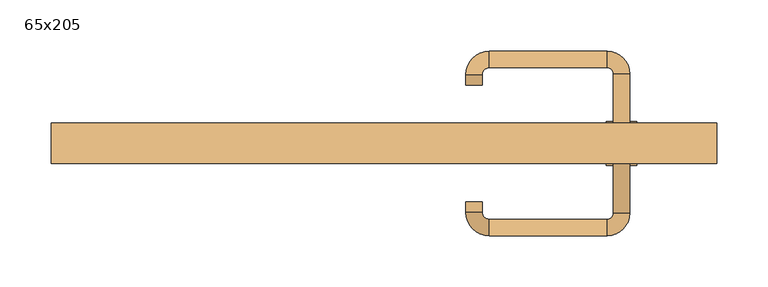
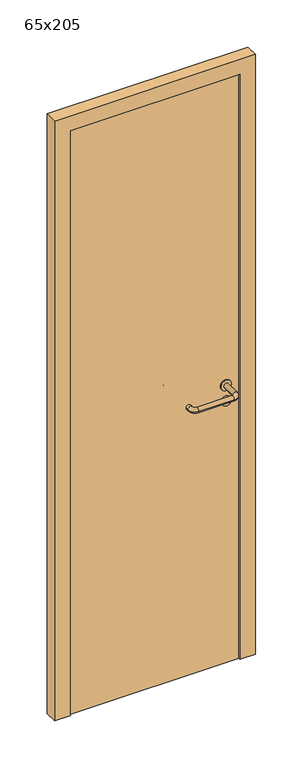
"""IFC4 building model written with IfcOpenShell, lengths in millimetres: door geometry, 65x205."""

from ifc_helpers import new_model, si_unit, point, frame, frame_2d, origin, origin_with_axes, place, context, project, spatial, polyline, circle_curve, ellipse_curve, trimmed, segment, composite_curve, outline, extrude, source, transform, mapped, element, save
from ifc_brep_helpers import plane_surface, cylinder_surface, revolved_surface, advanced_brep


def door_65x205_cf4b30d9(model_context):
    return source(origin(), model_context, "Body", "SolidModel", [
        extrude(outline(composite_curve([segment(trimmed(circle_curve(frame_2d((897.3605726, 232.0)), 15.0), [point((897.3605726, 247.0))], [point((897.3605726, 217.0))], False, "CARTESIAN"), True, "CONTINUOUS"), segment(trimmed(circle_curve(frame_2d((897.3605726, 232.0)), 15.0), [point((897.3605726, 217.0))], [point((897.3605726, 247.0))], False, "CARTESIAN"), True, "CONTINUOUS")], self_intersect=False), holes=[composite_curve([segment(trimmed(circle_curve(frame_2d((892.5833211, 231.9398032)), 2.0), [point((892.5833211, 233.9398032))], [point((892.5833211, 229.9398032))], True, "CARTESIAN"), True, "CONTINUOUS"), segment(polyline([(892.5833211, 229.9398032), (902.5833211, 229.9398032)]), True, "CONTINUOUS"), segment(trimmed(circle_curve(frame_2d((902.5833211, 231.9398032)), 2.0), [point((902.5833211, 229.9398032))], [point((902.5833211, 233.9398032))], True, "CARTESIAN"), True, "CONTINUOUS"), segment(polyline([(902.5833211, 233.9398032), (892.5833211, 233.9398032)]), True, "CONTINUOUS")], self_intersect=False)]), frame((0.0, -16.35, 0.0), z_axis=(0.0, 1.0, 0.0), x_axis=(0.0, 0.0, 1.0)), (0.0, 0.0, 1.0), 6.35),
        extrude(outline(composite_curve([segment(trimmed(circle_curve(frame_2d((950.0, 232.0)), 17.526), [point((950.0, 249.526))], [point((950.0, 214.474))], False, "CARTESIAN"), True, "CONTINUOUS"), segment(trimmed(circle_curve(frame_2d((950.0, 232.0)), 17.526), [point((950.0, 214.474))], [point((950.0, 249.526))], False, "CARTESIAN"), True, "CONTINUOUS")], self_intersect=False)), frame((0.0, -13.175, 0.0), z_axis=(0.0, 1.0, 0.0), x_axis=(0.0, 0.0, 1.0)), (0.0, 0.0, 1.0), 3.175),
        advanced_brep(
        [(240.0, -10.0, 950.0), (224.0, -10.0, 950.0), (224.0, -63.0, 950.0), (240.0, -63.0, 950.0), (217.8578644, -69.1421356, 950.0), (217.8578644, -85.1421356, 950.0), (102.8578644, -69.1421356, 950.0), (102.8578644, -85.1421356, 950.0), (96.008622, -62.2928932, 950.0), (80.008622, -62.2928932, 950.0), (80.008622, -52.2928932, 950.0), (96.008622, -52.2928932, 950.0)],
        [
            (0, 1, circle_curve(frame((232.0, -10.0, 950.0), z_axis=(0.0, 1.0, 0.0), x_axis=(-1.0, 0.0, 0.0)), 8.0)),
            (1, 0, circle_curve(frame((232.0, -10.0, 950.0), z_axis=(0.0, 1.0, 0.0), x_axis=(-1.0, 0.0, 0.0)), 8.0)),
            (1, 2),
            (2, 3, circle_curve(frame((232.0, -63.0, 950.0), z_axis=(0.0, 1.0, 0.0), x_axis=(-1.0, 0.0, 0.0)), 8.0)),
            (3, 0),
            (3, 2, circle_curve(frame((232.0, -63.0, 950.0), z_axis=(0.0, 1.0, 0.0), x_axis=(-1.0, 0.0, 0.0)), 8.0)),
            (4, 5, circle_curve(frame((217.8578644, -77.1421356, 950.0), z_axis=(1.0, 0.0, 0.0), x_axis=(0.0, 1.0, 0.0)), 8.0)),
            (5, 3, circle_curve(frame((217.8578644, -63.0, 950.0), z_axis=(0.0, 0.0, 1.0), x_axis=(1.0, 0.0, 0.0)), 22.1421356)),
            (2, 4, circle_curve(frame((217.8578644, -63.0, 950.0), z_axis=(0.0, 0.0, -1.0), x_axis=(1.0, 0.0, 0.0)), 6.1421356)),
            (5, 4, circle_curve(frame((217.8578644, -77.1421356, 950.0), z_axis=(1.0, 0.0, 0.0), x_axis=(0.0, 1.0, 0.0)), 8.0)),
            (4, 6),
            (6, 7, circle_curve(frame((102.8578644, -77.1421356, 950.0), z_axis=(1.0, 0.0, 0.0), x_axis=(0.0, 1.0, 0.0)), 8.0)),
            (7, 5),
            (7, 6, circle_curve(frame((102.8578644, -77.1421356, 950.0), z_axis=(1.0, 0.0, 0.0), x_axis=(0.0, 1.0, 0.0)), 8.0)),
            (8, 9, circle_curve(frame((88.008622, -62.2928932, 950.0), z_axis=(0.0, -1.0, 0.0), x_axis=(1.0, 0.0, 0.0)), 8.0)),
            (9, 7, circle_curve(frame((102.8578644, -62.2928932, 950.0), z_axis=(0.0, 0.0, 1.0), x_axis=(0.0, -1.0, 0.0)), 22.8492424)),
            (6, 8, circle_curve(frame((102.8578644, -62.2928932, 950.0), z_axis=(0.0, 0.0, -1.0), x_axis=(0.0, -1.0, 0.0)), 6.8492424)),
            (9, 8, circle_curve(frame((88.008622, -62.2928932, 950.0), z_axis=(0.0, -1.0, 0.0), x_axis=(1.0, 0.0, 0.0)), 8.0)),
            (10, 11, circle_curve(frame((88.008622, -52.2928932, 950.0), z_axis=(0.0, 1.0, 0.0), x_axis=(1.0, 0.0, 0.0)), 8.0)),
            (11, 10, circle_curve(frame((88.008622, -52.2928932, 950.0), z_axis=(0.0, 1.0, 0.0), x_axis=(1.0, 0.0, 0.0)), 8.0)),
            (8, 11),
            (10, 9),
        ],
        [
            plane_surface(frame((232.0, -10.0, 0.0), z_axis=(0.0, 1.0, 0.0), x_axis=(0.0, 0.0, 1.0))),
            cylinder_surface(frame((232.0, -10.0, 950.0), z_axis=(0.0, 1.0, 0.0), x_axis=(-1.0, 0.0, 0.0)), 8.0),
            revolved_surface(trimmed(ellipse_curve(frame((232.0, -63.0, 950.0), z_axis=(0.0, -1.0, 0.0), x_axis=(-1.0, 0.0, 0.0)), 8.0, 8.0), [point((240.0, -63.0, 950.0))], [point((224.0, -63.0, 950.0))], True, "CARTESIAN"), (217.8578644, -63.0, 0.0), (0.0, 0.0, 1.0)),
            revolved_surface(trimmed(ellipse_curve(frame((232.0, -63.0, 950.0), z_axis=(0.0, -1.0, 0.0), x_axis=(-1.0, 0.0, 0.0)), 8.0, 8.0), [point((224.0, -63.0, 950.0))], [point((240.0, -63.0, 950.0))], True, "CARTESIAN"), (217.8578644, -63.0, 0.0), (0.0, 0.0, 1.0)),
            cylinder_surface(frame((217.8578644, -77.1421356, 950.0), z_axis=(1.0, 0.0, 0.0), x_axis=(0.0, 1.0, 0.0)), 8.0),
            revolved_surface(trimmed(ellipse_curve(frame((102.8578644, -77.1421356, 950.0), z_axis=(-1.0, 0.0, 0.0), x_axis=(0.0, 1.0, 0.0)), 8.0, 8.0), [point((102.8578644, -85.1421356, 950.0))], [point((102.8578644, -69.1421356, 950.0))], True, "CARTESIAN"), (102.8578644, -62.2928932, 0.0), (0.0, 0.0, 1.0)),
            revolved_surface(trimmed(ellipse_curve(frame((102.8578644, -77.1421356, 950.0), z_axis=(-1.0, 0.0, 0.0), x_axis=(0.0, 1.0, 0.0)), 8.0, 8.0), [point((102.8578644, -69.1421356, 950.0))], [point((102.8578644, -85.1421356, 950.0))], True, "CARTESIAN"), (102.8578644, -62.2928932, 0.0), (0.0, 0.0, 1.0)),
            plane_surface(frame((88.008622, -52.2928932, 0.0), z_axis=(0.0, 1.0, 0.0), x_axis=(0.0, 0.0, 1.0))),
            cylinder_surface(frame((88.008622, -62.2928932, 950.0), z_axis=(0.0, -1.0, 0.0), x_axis=(1.0, 0.0, 0.0)), 8.0),
        ],
        [
            (0, [[1, 2]]),
            (1, [[3, 4, 5, -2]]),
            (1, [[-5, 6, -3, -1]]),
            (2, [[7, 8, -4, 9]]),
            (3, [[10, -9, -6, -8]]),
            (4, [[11, 12, 13, -7]]),
            (4, [[-13, 14, -11, -10]]),
            (5, [[15, 16, -12, 17]]),
            (6, [[18, -17, -14, -16]]),
            (7, [[19, 20]]),
            (8, [[21, -19, 22, -15]]),
            (8, [[-22, -20, -21, -18]]),
        ],
    ),
        extrude(outline(composite_curve([segment(trimmed(circle_curve(frame_2d((0.0, -15.0)), 15.0), [point((0.0, -30.0))], [point((0.0, 0.0))], False, "CARTESIAN"), True, "CONTINUOUS"), segment(trimmed(circle_curve(frame_2d((0.0, -15.0)), 15.0), [point((0.0, 0.0))], [point((0.0, -30.0))], False, "CARTESIAN"), True, "CONTINUOUS")], self_intersect=False), holes=[composite_curve([segment(trimmed(circle_curve(frame_2d((4.7772515, -14.9398032)), 2.0), [point((4.7772515, -16.9398032))], [point((4.7772515, -12.9398032))], True, "CARTESIAN"), True, "CONTINUOUS"), segment(polyline([(4.7772515, -12.9398032), (-5.2227485, -12.9398032)]), True, "CONTINUOUS"), segment(trimmed(circle_curve(frame_2d((-5.2227485, -14.9398032)), 2.0), [point((-5.2227485, -12.9398032))], [point((-5.2227485, -16.9398032))], True, "CARTESIAN"), True, "CONTINUOUS"), segment(polyline([(-5.2227485, -16.9398032), (4.7772515, -16.9398032)]), True, "CONTINUOUS")], self_intersect=False)]), frame((217.0, 20.0, 897.3605726), z_axis=(1.8870575173328306e-12, 1.0, 0.0), x_axis=(0.0, 0.0, -1.0)), (0.0, 0.0, 1.0), 6.35),
        extrude(outline(composite_curve([segment(trimmed(circle_curve(frame_2d((0.0, -17.526)), 17.526), [point((0.0, -35.052))], [point((0.0, 0.0))], False, "CARTESIAN"), True, "CONTINUOUS"), segment(trimmed(circle_curve(frame_2d((0.0, -17.526)), 17.526), [point((0.0, 0.0))], [point((0.0, -35.052))], False, "CARTESIAN"), True, "CONTINUOUS")], self_intersect=False)), frame((214.474, 20.0, 950.0), z_axis=(1.8870575173328306e-12, 1.0, 0.0), x_axis=(0.0, 0.0, -1.0)), (0.0, 0.0, 1.0), 3.175),
        advanced_brep(
        [(240.0, 20.0, 950.0), (224.0, 20.0, 950.0), (240.0, 73.0, 950.0), (224.0, 73.0, 950.0), (217.8578644, 79.1421356, 950.0), (217.8578644, 95.1421356, 950.0), (102.8578644, 95.1421356, 950.0), (102.8578644, 79.1421356, 950.0), (96.008622, 72.2928932, 950.0), (80.008622, 72.2928932, 950.0), (80.008622, 62.2928932, 950.0), (96.008622, 62.2928932, 950.0)],
        [
            (0, 1, circle_curve(frame((232.0, 20.0, 950.0), z_axis=(-1.888672253512351e-12, -1.0, 0.0), x_axis=(-1.0, 1.888672253512351e-12, 0.0)), 8.0)),
            (1, 0, circle_curve(frame((232.0, 20.0, 950.0), z_axis=(-1.888672253512351e-12, -1.0, 0.0), x_axis=(-1.0, 1.888672253512351e-12, 0.0)), 8.0)),
            (0, 2),
            (2, 3, circle_curve(frame((232.0, 73.0, 950.0), z_axis=(-1.888672253512351e-12, -1.0, 0.0), x_axis=(-1.0, 1.888672253512351e-12, 0.0)), 8.0)),
            (3, 1),
            (3, 2, circle_curve(frame((232.0, 73.0, 950.0), z_axis=(-1.888672253512351e-12, -1.0, 0.0), x_axis=(-1.0, 1.888672253512351e-12, 0.0)), 8.0)),
            (4, 3, circle_curve(frame((217.8578644, 73.0, 950.0), z_axis=(0.0, 0.0, -1.0), x_axis=(1.0, -1.880717803715015e-12, 0.0)), 6.1421356)),
            (2, 5, circle_curve(frame((217.8578644, 73.0, 950.0), z_axis=(0.0, 0.0, 1.0), x_axis=(1.0, -1.880717803715015e-12, 0.0)), 22.1421356)),
            (5, 4, circle_curve(frame((217.8578644, 87.1421356, 950.0), z_axis=(1.0, -1.913702061528922e-12, 0.0), x_axis=(-1.913702061528922e-12, -1.0, 0.0)), 8.0)),
            (4, 5, circle_curve(frame((217.8578644, 87.1421356, 950.0), z_axis=(1.0, -1.913702061528922e-12, 0.0), x_axis=(-1.913702061528922e-12, -1.0, 0.0)), 8.0)),
            (5, 6),
            (6, 7, circle_curve(frame((102.8578644, 87.1421356, 950.0), z_axis=(1.0, -1.913719828541269e-12, 0.0), x_axis=(-1.913719828541269e-12, -1.0, 0.0)), 8.0)),
            (7, 4),
            (7, 6, circle_curve(frame((102.8578644, 87.1421356, 950.0), z_axis=(1.0, -1.913719828541269e-12, 0.0), x_axis=(-1.913719828541269e-12, -1.0, 0.0)), 8.0)),
            (8, 7, circle_curve(frame((102.8578644, 72.2928932, 950.0), z_axis=(0.0, 0.0, -1.0), x_axis=(1.9120873253494017e-12, 1.0, 0.0)), 6.8492424)),
            (6, 9, circle_curve(frame((102.8578644, 72.2928932, 950.0), z_axis=(0.0, 0.0, 1.0), x_axis=(1.9120873253494017e-12, 1.0, 0.0)), 22.8492424)),
            (9, 8, circle_curve(frame((88.008622, 72.2928932, 950.0), z_axis=(1.890448610351751e-12, 1.0, 0.0), x_axis=(1.0, -1.890448610351751e-12, 0.0)), 8.0)),
            (8, 9, circle_curve(frame((88.008622, 72.2928932, 950.0), z_axis=(1.8888942981172756e-12, 1.0, 0.0), x_axis=(1.0, -1.8888942981172756e-12, 0.0)), 8.0)),
            (10, 11, circle_curve(frame((88.008622, 62.2928932, 950.0), z_axis=(-1.8903642334018795e-12, -1.0, 0.0), x_axis=(1.0, -1.8903642334018795e-12, 0.0)), 8.0)),
            (11, 10, circle_curve(frame((88.008622, 62.2928932, 950.0), z_axis=(-1.8903642334018795e-12, -1.0, 0.0), x_axis=(1.0, -1.8903642334018795e-12, 0.0)), 8.0)),
            (9, 10),
            (11, 8),
        ],
        [
            plane_surface(frame((232.0, 20.0, 0.0), z_axis=(-1.8870575173328306e-12, -1.0, 0.0), x_axis=(0.0, 0.0, 1.0))),
            cylinder_surface(frame((232.0, 20.0, 950.0), z_axis=(-1.888672253512351e-12, -1.0, 0.0), x_axis=(-1.0, 1.888672253512351e-12, 0.0)), 8.0),
            revolved_surface(trimmed(ellipse_curve(frame((232.0, 73.0, 950.0), z_axis=(-1.8823325398945356e-12, -1.0, 0.0), x_axis=(-1.0, 1.8823325398945356e-12, 0.0)), 8.0, 8.0), [point((240.0, 73.0, 950.0))], [point((224.0, 73.0, 950.0))], True, "CARTESIAN"), (217.8578644, 73.0, 0.0), (0.0, 0.0, 1.0)),
            revolved_surface(trimmed(ellipse_curve(frame((232.0, 73.0, 950.0), z_axis=(-1.8823325398945356e-12, -1.0, 0.0), x_axis=(-1.0, 1.8823325398945356e-12, 0.0)), 8.0, 8.0), [point((224.0, 73.0, 950.0))], [point((240.0, 73.0, 950.0))], True, "CARTESIAN"), (217.8578644, 73.0, 0.0), (0.0, 0.0, 1.0)),
            cylinder_surface(frame((217.8578644, 87.1421356, 950.0), z_axis=(1.0, -1.913719828541269e-12, 0.0), x_axis=(-1.913719828541269e-12, -1.0, 0.0)), 8.0),
            revolved_surface(trimmed(ellipse_curve(frame((102.8578644, 87.1421356, 950.0), z_axis=(1.0, -1.913702061528922e-12, 0.0), x_axis=(-1.913702061528922e-12, -1.0, 0.0)), 8.0, 8.0), [point((102.8578644, 95.1421356, 950.0))], [point((102.8578644, 79.1421356, 950.0))], True, "CARTESIAN"), (102.8578644, 72.2928932, 0.0), (0.0, 0.0, 1.0)),
            revolved_surface(trimmed(ellipse_curve(frame((102.8578644, 87.1421356, 950.0), z_axis=(1.0, -1.913702061528922e-12, 0.0), x_axis=(-1.913702061528922e-12, -1.0, 0.0)), 8.0, 8.0), [point((102.8578644, 79.1421356, 950.0))], [point((102.8578644, 95.1421356, 950.0))], True, "CARTESIAN"), (102.8578644, 72.2928932, 0.0), (0.0, 0.0, 1.0)),
            plane_surface(frame((88.008622, 62.2928932, 0.0), z_axis=(-1.8887494972223595e-12, -1.0, 0.0), x_axis=(0.0, 0.0, 1.0))),
            cylinder_surface(frame((88.008622, 72.2928932, 950.0), z_axis=(1.8903642334018795e-12, 1.0, 0.0), x_axis=(1.0, -1.8903642334018795e-12, 0.0)), 8.0),
        ],
        [
            (0, [[1, 2]]),
            (1, [[-1, 3, 4, 5]]),
            (1, [[-2, -5, 6, -3]]),
            (2, [[7, -4, 8, 9]]),
            (3, [[-8, -6, -7, 10]]),
            (4, [[-9, 11, 12, 13]]),
            (4, [[-10, -13, 14, -11]]),
            (5, [[15, -12, 16, 17]]),
            (6, [[-16, -14, -15, 18]]),
            (7, [[19, 20]]),
            (8, [[-17, 21, -20, 22]]),
            (8, [[-18, -22, -19, -21]]),
        ],
    ),
        extrude(outline(polyline([(2000.0, 275.0), (0.0, 275.0), (0.0, 325.0), (2050.0, 325.0), (2050.0, -325.0), (0.0, -325.0), (0.0, -275.0), (2000.0, -275.0), (2000.0, 275.0)])), frame((0.0, -15.0, 0.0), z_axis=(0.0, 1.0, 0.0), x_axis=(0.0, 0.0, 1.0)), (0.0, 0.0, 1.0), 40.0),
        extrude(outline(polyline([(-275.0, 20.0), (275.0, 20.0), (275.0, -10.0), (-275.0, -10.0), (-275.0, 20.0)])), origin_with_axes(), (0.0, 0.0, 1.0), 2000.0),
    ])


if __name__ == "__main__":
    model = new_model("IFC4")
    model_context = context("Model", 3, world=origin())
    ifc_project = project(units=[si_unit("LENGTHUNIT", "METRE", prefix="MILLI")], contexts=[model_context])
    site = spatial("IfcSite", under=ifc_project)
    building = spatial("IfcBuilding", under=site)
    placement = place(None, origin())
    door_65x205_shape = door_65x205_cf4b30d9(model_context)
    element("IfcDoor", 1, ObjectType="65x205", at=placement, inside=building, context=model_context, shape_type="MappedRepresentation", body=[
        mapped(door_65x205_shape, transform((0.0, 0.0, 0.0), x_axis=(1.0, 0.0, 0.0), y_axis=(0.0, 1.0, 0.0), z_axis=(0.0, 0.0, 1.0))),
    ])
    save(model, "model.ifc")
